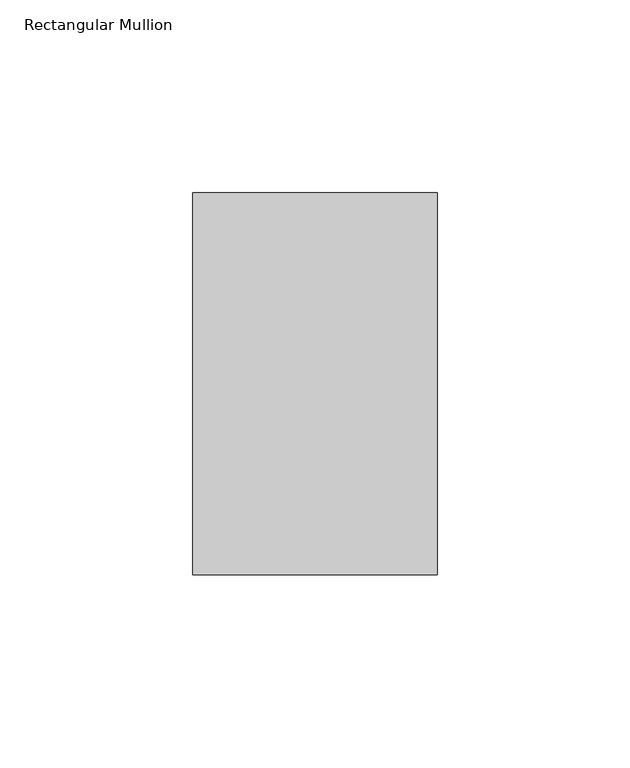
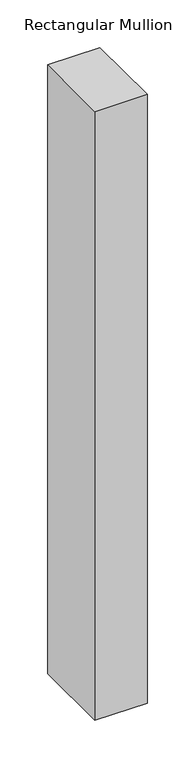
"""IFC4 building model written with IfcOpenShell, lengths in millimetres: member geometry, Rectangular Mullion."""

from ifc_helpers import new_model, si_unit, frame, origin, place, context, project, spatial, polyline, outline, extrude, source, transform, mapped, element, save


def rectangular_mullion_19bcfc3d(model_context):
    return source(origin(), model_context, "Body", "SweptSolid", [
        extrude(outline(polyline([(31.75, 138.7038437), (31.75, 39.3898437), (-31.75, 39.3898437), (-31.75, 138.7038437), (31.75, 138.7038437)])), frame((0.0, 0.0, -781.05), z_axis=(0.0, 0.0, 1.0), x_axis=(1.0, 0.0, 0.0)), (0.0, 0.0, 1.0), 781.05),
    ])


if __name__ == "__main__":
    model = new_model("IFC4")
    model_context = context("Model", 3, world=origin())
    ifc_project = project(units=[si_unit("LENGTHUNIT", "METRE", prefix="MILLI")], contexts=[model_context])
    site = spatial("IfcSite", under=ifc_project)
    building = spatial("IfcBuilding", under=site)
    placement = place(None, origin())
    rectangular_mullion_shape = rectangular_mullion_19bcfc3d(model_context)
    element("IfcMember", 1, ObjectType="Rectangular Mullion", at=placement, inside=building, context=model_context, shape_type="MappedRepresentation", body=[
        mapped(rectangular_mullion_shape, transform((0.0, 0.0, 0.0), x_axis=(1.0, 0.0, 0.0), y_axis=(0.0, 1.0, 0.0), z_axis=(0.0, 0.0, 1.0))),
    ])
    save(model, "model.ifc")
